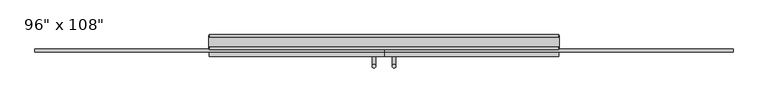
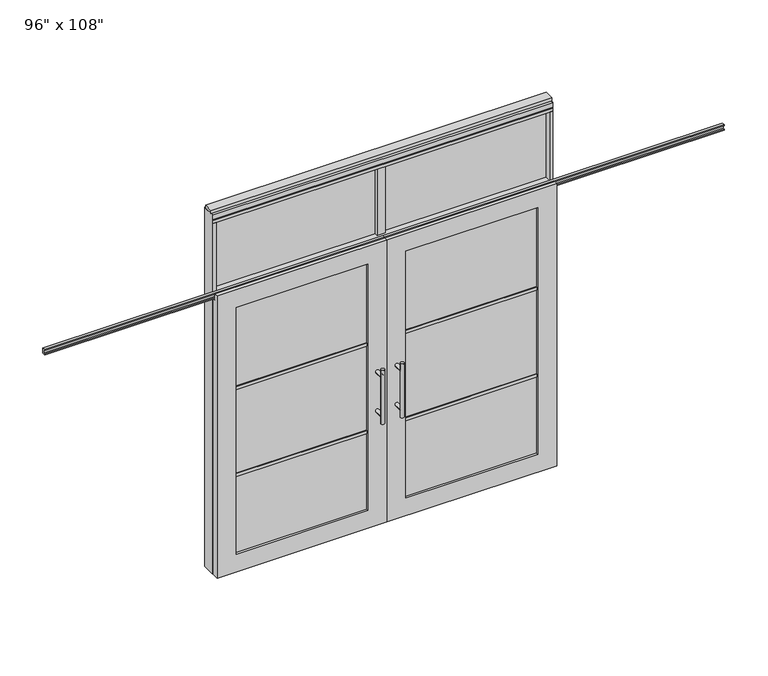
"""IFC4 building model written with IfcOpenShell, lengths in millimetres: furniture geometry."""

from ifc_helpers import new_model, si_unit, frame, origin, origin_with_axes, place, context, project, spatial, polyline, circle_curve, ellipse_curve, outline, extrude, faceted_brep, source, transform, mapped, element, save
from ifc_brep_helpers import plane_surface, cylinder_surface, advanced_brep


def furniture_7fe5dfdd(model_context):
    return source(origin(), model_context, "Body", "SolidModel", [
        advanced_brep(
        [(-117.3135229, 5.8962784, 1219.2), (-142.7135229, 5.8962784, 1219.2), (-117.3135229, 5.8962784, 812.8), (-142.7135229, 5.8962784, 812.8), (-117.3135229, 5.8962784, 1164.336), (-117.3135229, 5.8962784, 867.664), (-142.7135229, 5.8962784, 867.664), (-142.7135229, 5.8962784, 1164.336), (-117.3135229, -61.6677216, 1164.336), (-142.7135229, -61.6677216, 1164.336), (-117.3135229, -61.6677216, 867.664), (-142.7135229, -61.6677216, 867.664)],
        [
            (0, 1, circle_curve(frame((-130.0135229, 5.8962784, 1219.2), z_axis=(0.0, 0.0, 1.0), x_axis=(-1.0, 0.0, 0.0)), 12.7)),
            (1, 0, circle_curve(frame((-130.0135229, 5.8962784, 1219.2), z_axis=(0.0, 0.0, 1.0), x_axis=(-1.0, 0.0, 0.0)), 12.7)),
            (2, 3, circle_curve(frame((-130.0135229, 5.8962784, 812.8), z_axis=(0.0, 0.0, -1.0), x_axis=(-1.0, 0.0, 0.0)), 12.7)),
            (3, 2, circle_curve(frame((-130.0135229, 5.8962784, 812.8), z_axis=(0.0, 0.0, -1.0), x_axis=(-1.0, 0.0, 0.0)), 12.7)),
            (0, 4),
            (4, 5),
            (5, 2),
            (3, 6),
            (6, 7),
            (7, 1),
            (7, 4, ellipse_curve(frame((-130.0135229, 5.8962784, 1164.336), z_axis=(0.0, 0.707106781186565, 0.70710678118653), x_axis=(0.0, -0.70710678118653, 0.707106781186565)), 17.9605122, 12.7)),
            (5, 6, ellipse_curve(frame((-130.0135229, 5.8962784, 867.664), z_axis=(0.0, 0.70710678118653, -0.7071067811865649), x_axis=(0.0, 0.7071067811865648, 0.7071067811865301)), 17.9605122, 12.7)),
            (4, 7, ellipse_curve(frame((-130.0135229, 5.8962784, 1164.336), z_axis=(0.0, 0.70710678118653, -0.7071067811865649), x_axis=(0.0, 0.7071067811865648, 0.7071067811865301)), 17.9605122, 12.7)),
            (6, 5, ellipse_curve(frame((-130.0135229, 5.8962784, 867.664), z_axis=(0.0, 0.707106781186565, 0.70710678118653), x_axis=(0.0, -0.70710678118653, 0.707106781186565)), 17.9605122, 12.7)),
            (8, 9, circle_curve(frame((-130.0135229, -61.6677216, 1164.336), z_axis=(0.0, -1.0, 0.0), x_axis=(-1.0, 0.0, 0.0)), 12.7)),
            (9, 8, circle_curve(frame((-130.0135229, -61.6677216, 1164.336), z_axis=(0.0, -1.0, 0.0), x_axis=(-1.0, 0.0, 0.0)), 12.7)),
            (9, 7),
            (4, 8),
            (10, 11, circle_curve(frame((-130.0135229, -61.6677216, 867.664), z_axis=(0.0, -1.0, 0.0), x_axis=(-1.0, 0.0, 0.0)), 12.7)),
            (11, 10, circle_curve(frame((-130.0135229, -61.6677216, 867.664), z_axis=(0.0, -1.0, 0.0), x_axis=(-1.0, 0.0, 0.0)), 12.7)),
            (11, 6),
            (5, 10),
        ],
        [
            plane_surface(frame((-142.7135229, 5.8962784, 1219.2), z_axis=(0.0, 0.0, 1.0), x_axis=(0.0, -1.0, 0.0))),
            plane_surface(frame((-142.7135229, 5.8962784, 812.8), z_axis=(0.0, 0.0, -1.0), x_axis=(0.0, 1.0, 0.0))),
            cylinder_surface(frame((-130.0135229, 5.8962784, 812.8), z_axis=(0.0, 0.0, 1.0), x_axis=(-1.0, 0.0, 0.0)), 12.7),
            plane_surface(frame((-142.7135229, -61.6677216, 1164.336), z_axis=(0.0, -1.0, 0.0), x_axis=(0.0, 0.0, -1.0))),
            cylinder_surface(frame((-130.0135229, -61.6677216, 1164.336), z_axis=(0.0, 1.0, 0.0), x_axis=(-1.0, 0.0, 0.0)), 12.7),
            plane_surface(frame((-142.7135229, -61.6677216, 867.664), z_axis=(0.0, -1.0, 0.0), x_axis=(0.0, 0.0, -1.0))),
            cylinder_surface(frame((-130.0135229, -61.6677216, 867.664), z_axis=(0.0, 1.0, 0.0), x_axis=(-1.0, 0.0, 0.0)), 12.7),
        ],
        [
            (0, [[1, 2]]),
            (1, [[3, 4]]),
            (2, [[-1, 5, 6, 7, -4, 8, 9, 10]]),
            (2, [[-2, -10, 11, -5]]),
            (2, [[-3, -7, 12, -8]]),
            (2, [[13, -9, 14, -6]]),
            (3, [[15, 16]]),
            (4, [[-16, 17, -13, 18]]),
            (4, [[-15, -18, -11, -17]]),
            (5, [[19, 20]]),
            (6, [[-20, 21, -12, 22]]),
            (6, [[-19, -22, -14, -21]]),
        ],
    ),
        advanced_brep(
        [(-117.3135229, -173.6817216, 1219.2), (-142.7135229, -173.6817216, 1219.2), (-117.3135229, -173.6817216, 812.8), (-142.7135229, -173.6817216, 812.8), (-142.7135229, -173.6817216, 1164.336), (-142.7135229, -173.6817216, 867.664), (-117.3135229, -173.6817216, 867.664), (-117.3135229, -173.6817216, 1164.336), (-117.3135229, -106.1177216, 1164.336), (-142.7135229, -106.1177216, 1164.336), (-117.3135229, -106.1177216, 867.664), (-142.7135229, -106.1177216, 867.664)],
        [
            (0, 1, circle_curve(frame((-130.0135229, -173.6817216, 1219.2), z_axis=(0.0, 0.0, 1.0), x_axis=(-1.0, 0.0, 0.0)), 12.7)),
            (1, 0, circle_curve(frame((-130.0135229, -173.6817216, 1219.2), z_axis=(0.0, 0.0, 1.0), x_axis=(-1.0, 0.0, 0.0)), 12.7)),
            (2, 3, circle_curve(frame((-130.0135229, -173.6817216, 812.8), z_axis=(0.0, 0.0, -1.0), x_axis=(-1.0, 0.0, 0.0)), 12.7)),
            (3, 2, circle_curve(frame((-130.0135229, -173.6817216, 812.8), z_axis=(0.0, 0.0, -1.0), x_axis=(-1.0, 0.0, 0.0)), 12.7)),
            (1, 4),
            (4, 5),
            (5, 3),
            (2, 6),
            (6, 7),
            (7, 0),
            (6, 5, ellipse_curve(frame((-130.0135229, -173.6817216, 867.664), z_axis=(0.0, -0.707106781186565, 0.70710678118653), x_axis=(0.0, 0.70710678118653, 0.707106781186565)), 17.9605122, 12.7)),
            (4, 7, ellipse_curve(frame((-130.0135229, -173.6817216, 1164.336), z_axis=(0.0, -0.70710678118653, -0.7071067811865649), x_axis=(0.0, -0.7071067811865648, 0.7071067811865301)), 17.9605122, 12.7)),
            (7, 4, ellipse_curve(frame((-130.0135229, -173.6817216, 1164.336), z_axis=(0.0, -0.707106781186565, 0.70710678118653), x_axis=(0.0, 0.70710678118653, 0.707106781186565)), 17.9605122, 12.7)),
            (5, 6, ellipse_curve(frame((-130.0135229, -173.6817216, 867.664), z_axis=(0.0, -0.70710678118653, -0.7071067811865649), x_axis=(0.0, -0.7071067811865648, 0.7071067811865301)), 17.9605122, 12.7)),
            (8, 9, circle_curve(frame((-130.0135229, -106.1177216, 1164.336), z_axis=(0.0, 1.0, 0.0), x_axis=(-1.0, 0.0, 0.0)), 12.7)),
            (9, 8, circle_curve(frame((-130.0135229, -106.1177216, 1164.336), z_axis=(0.0, 1.0, 0.0), x_axis=(-1.0, 0.0, 0.0)), 12.7)),
            (8, 7),
            (4, 9),
            (10, 11, circle_curve(frame((-130.0135229, -106.1177216, 867.664), z_axis=(0.0, 1.0, 0.0), x_axis=(-1.0, 0.0, 0.0)), 12.7)),
            (11, 10, circle_curve(frame((-130.0135229, -106.1177216, 867.664), z_axis=(0.0, 1.0, 0.0), x_axis=(-1.0, 0.0, 0.0)), 12.7)),
            (10, 6),
            (5, 11),
        ],
        [
            plane_surface(frame((-142.7135229, -173.6817216, 1219.2), z_axis=(0.0, 0.0, 1.0), x_axis=(0.0, 1.0, 0.0))),
            plane_surface(frame((-142.7135229, -173.6817216, 812.8), z_axis=(0.0, 0.0, -1.0), x_axis=(0.0, -1.0, 0.0))),
            cylinder_surface(frame((-130.0135229, -173.6817216, 812.8), z_axis=(0.0, 0.0, 1.0), x_axis=(-1.0, 0.0, 0.0)), 12.7),
            plane_surface(frame((-142.7135229, -106.1177216, 1164.336), z_axis=(0.0, 1.0, 0.0), x_axis=(0.0, 0.0, -1.0))),
            cylinder_surface(frame((-130.0135229, -106.1177216, 1164.336), z_axis=(0.0, -1.0, 0.0), x_axis=(-1.0, 0.0, 0.0)), 12.7),
            plane_surface(frame((-142.7135229, -106.1177216, 867.664), z_axis=(0.0, 1.0, 0.0), x_axis=(0.0, 0.0, -1.0))),
            cylinder_surface(frame((-130.0135229, -106.1177216, 867.664), z_axis=(0.0, -1.0, 0.0), x_axis=(-1.0, 0.0, 0.0)), 12.7),
        ],
        [
            (0, [[1, 2]]),
            (1, [[3, 4]]),
            (2, [[5, 6, 7, -3, 8, 9, 10, -2]]),
            (2, [[-9, 11, -6, 12]]),
            (2, [[-10, 13, -5, -1]]),
            (2, [[-7, 14, -8, -4]]),
            (3, [[15, 16]]),
            (4, [[17, -12, 18, -15]]),
            (4, [[-18, -13, -17, -16]]),
            (5, [[19, 20]]),
            (6, [[21, -14, 22, -19]]),
            (6, [[-22, -11, -21, -20]]),
        ],
    ),
        extrude(outline(polyline([(-196.0535229, -95.0052216), (-1139.2825229, -95.0052216), (-1139.2825229, -72.7802216), (-196.0535229, -72.7802216), (-196.0535229, -95.0052216)])), frame((0.0, 0.0, 1371.6), z_axis=(0.0, 0.0, 1.0), x_axis=(1.0, 0.0, 0.0)), (0.0, 0.0, 1.0), 22.225),
        extrude(outline(polyline([(-196.0535229, -95.0052216), (-1139.2825229, -95.0052216), (-1139.2825229, -72.7802216), (-196.0535229, -72.7802216), (-196.0535229, -95.0052216)])), frame((0.0, 0.0, 711.2), z_axis=(0.0, 0.0, 1.0), x_axis=(1.0, 0.0, 0.0)), (0.0, 0.0, 1.0), 22.225),
        extrude(outline(polyline([(-1139.2825229, -88.9727216), (-1139.2825229, -78.8127216), (-196.0535229, -78.8127216), (-196.0535229, -88.9727216), (-1139.2825229, -88.9727216)])), frame((0.0, 0.0, 132.969), z_axis=(0.0, 0.0, 1.0), x_axis=(1.0, 0.0, 0.0)), (0.0, 0.0, 1.0), 1867.662),
        extrude(outline(polyline([(-75.3837216, 2097.278), (-75.3837216, 2102.612), (-62.6837216, 2102.612), (-62.6837216, 2131.568), (-75.3837216, 2131.568), (-75.3837216, 2136.902), (-53.6667216, 2136.902), (-53.6667216, 2097.278), (-75.3837216, 2097.278)])), frame((-2490.5625229, 0.0, 0.0), z_axis=(1.0, 0.0, 0.0), x_axis=(0.0, 1.0, 0.0)), (0.0, 0.0, 1.0), 2430.526),
        faceted_brep([(-60.0365229, -106.1177216, 0.0), (-60.0365229, -106.1177216, 2133.6), (-1275.2995229, -106.1177216, 2133.6), (-1275.2995229, -106.1177216, 0.0), (-1139.2825229, -106.1177216, 2000.631), (-196.0535229, -106.1177216, 2000.631), (-196.0535229, -106.1177216, 132.969), (-1139.2825229, -106.1177216, 132.969), (-60.0365229, -78.6857216, 2133.6), (-60.0365229, -78.6857216, 2089.023), (-1275.2995229, -78.6857216, 2089.023), (-1275.2995229, -78.6857216, 2133.6), (-60.0365229, -61.6677216, 0.0), (-60.0365229, -61.6677216, 2089.023), (-1275.2995229, -61.6677216, 2089.023), (-1275.2995229, -61.6677216, 0.0), (-1139.2825229, -61.6677216, 2000.631), (-1139.2825229, -61.6677216, 132.969), (-196.0535229, -61.6677216, 132.969), (-196.0535229, -61.6677216, 2000.631)], [[[0, 1, 2, 3], [4, 5, 6, 7]], [[8, 9, 10, 11]], [[0, 12, 13, 9, 8, 1]], [[2, 11, 10, 14, 15, 3]], [[1, 8, 11, 2]], [[14, 13, 12, 15], [16, 17, 18, 19]], [[14, 10, 9, 13]], [[3, 15, 12, 0]], [[7, 17, 16, 4]], [[6, 18, 17, 7]], [[5, 19, 18, 6]], [[4, 16, 19, 5]]]),
        extrude(outline(polyline([(-31.4615229, -33.0927216), (-88.6115229, -33.0927216), (-88.6115229, 24.0572784), (-31.4615229, 24.0572784), (-31.4615229, -33.0927216)])), frame((0.0, 0.0, 2133.6), z_axis=(0.0, 0.0, 1.0), x_axis=(1.0, 0.0, 0.0)), (0.0, 0.0, 1.0), 520.7),
        extrude(outline(polyline([(1133.0014771, -10.8677216), (-1253.0745229, -10.8677216), (-1253.0745229, 1.8322784), (1133.0014771, 1.8322784), (1133.0014771, -10.8677216)])), frame((0.0, 0.0, 2133.6), z_axis=(0.0, 0.0, 1.0), x_axis=(1.0, 0.0, 0.0)), (0.0, 0.0, 1.0), 520.7),
        advanced_brep(
        [(-2.7595229, 5.8962784, 1219.2), (22.6404771, 5.8962784, 1219.2), (-2.7595229, 5.8962784, 812.8), (22.6404771, 5.8962784, 812.8), (22.6404771, 5.8962784, 1164.336), (22.6404771, 5.8962784, 867.664), (-2.7595229, 5.8962784, 867.664), (-2.7595229, 5.8962784, 1164.336), (-2.7595229, -61.6677216, 1164.336), (22.6404771, -61.6677216, 1164.336), (-2.7595229, -61.6677216, 867.664), (22.6404771, -61.6677216, 867.664)],
        [
            (0, 1, circle_curve(frame((9.9404771, 5.8962784, 1219.2), z_axis=(0.0, 0.0, 1.0), x_axis=(1.0, 0.0, 0.0)), 12.7)),
            (1, 0, circle_curve(frame((9.9404771, 5.8962784, 1219.2), z_axis=(0.0, 0.0, 1.0), x_axis=(1.0, 0.0, 0.0)), 12.7)),
            (2, 3, circle_curve(frame((9.9404771, 5.8962784, 812.8), z_axis=(0.0, 0.0, -1.0), x_axis=(1.0, 0.0, 0.0)), 12.7)),
            (3, 2, circle_curve(frame((9.9404771, 5.8962784, 812.8), z_axis=(0.0, 0.0, -1.0), x_axis=(1.0, 0.0, 0.0)), 12.7)),
            (1, 4),
            (4, 5),
            (5, 3),
            (2, 6),
            (6, 7),
            (7, 0),
            (6, 5, ellipse_curve(frame((9.9404771, 5.8962784, 867.664), z_axis=(0.0, 0.707106781186565, 0.70710678118653), x_axis=(0.0, -0.70710678118653, 0.707106781186565)), 17.9605122, 12.7)),
            (4, 7, ellipse_curve(frame((9.9404771, 5.8962784, 1164.336), z_axis=(0.0, 0.70710678118653, -0.7071067811865649), x_axis=(0.0, 0.7071067811865648, 0.7071067811865301)), 17.9605122, 12.7)),
            (7, 4, ellipse_curve(frame((9.9404771, 5.8962784, 1164.336), z_axis=(0.0, 0.707106781186565, 0.70710678118653), x_axis=(0.0, -0.70710678118653, 0.707106781186565)), 17.9605122, 12.7)),
            (5, 6, ellipse_curve(frame((9.9404771, 5.8962784, 867.664), z_axis=(0.0, 0.70710678118653, -0.7071067811865649), x_axis=(0.0, 0.7071067811865648, 0.7071067811865301)), 17.9605122, 12.7)),
            (8, 9, circle_curve(frame((9.9404771, -61.6677216, 1164.336), z_axis=(0.0, -1.0, 0.0), x_axis=(1.0, 0.0, 0.0)), 12.7)),
            (9, 8, circle_curve(frame((9.9404771, -61.6677216, 1164.336), z_axis=(0.0, -1.0, 0.0), x_axis=(1.0, 0.0, 0.0)), 12.7)),
            (8, 7),
            (4, 9),
            (10, 11, circle_curve(frame((9.9404771, -61.6677216, 867.664), z_axis=(0.0, -1.0, 0.0), x_axis=(1.0, 0.0, 0.0)), 12.7)),
            (11, 10, circle_curve(frame((9.9404771, -61.6677216, 867.664), z_axis=(0.0, -1.0, 0.0), x_axis=(1.0, 0.0, 0.0)), 12.7)),
            (10, 6),
            (5, 11),
        ],
        [
            plane_surface(frame((22.6404771, 5.8962784, 1219.2), z_axis=(0.0, 0.0, 1.0), x_axis=(0.0, -1.0, 0.0))),
            plane_surface(frame((22.6404771, 5.8962784, 812.8), z_axis=(0.0, 0.0, -1.0), x_axis=(0.0, 1.0, 0.0))),
            cylinder_surface(frame((9.9404771, 5.8962784, 812.8), z_axis=(0.0, 0.0, 1.0), x_axis=(1.0, 0.0, 0.0)), 12.7),
            plane_surface(frame((22.6404771, -61.6677216, 1164.336), z_axis=(0.0, -1.0, 0.0), x_axis=(0.0, 0.0, -1.0))),
            cylinder_surface(frame((9.9404771, -61.6677216, 1164.336), z_axis=(0.0, 1.0, 0.0), x_axis=(1.0, 0.0, 0.0)), 12.7),
            plane_surface(frame((22.6404771, -61.6677216, 867.664), z_axis=(0.0, -1.0, 0.0), x_axis=(0.0, 0.0, -1.0))),
            cylinder_surface(frame((9.9404771, -61.6677216, 867.664), z_axis=(0.0, 1.0, 0.0), x_axis=(1.0, 0.0, 0.0)), 12.7),
        ],
        [
            (0, [[1, 2]]),
            (1, [[3, 4]]),
            (2, [[5, 6, 7, -3, 8, 9, 10, -2]]),
            (2, [[-9, 11, -6, 12]]),
            (2, [[-10, 13, -5, -1]]),
            (2, [[-7, 14, -8, -4]]),
            (3, [[15, 16]]),
            (4, [[17, -12, 18, -15]]),
            (4, [[-18, -13, -17, -16]]),
            (5, [[19, 20]]),
            (6, [[21, -14, 22, -19]]),
            (6, [[-22, -11, -21, -20]]),
        ],
    ),
        advanced_brep(
        [(-2.7595229, -173.6817216, 1219.2), (22.6404771, -173.6817216, 1219.2), (-2.7595229, -173.6817216, 812.8), (22.6404771, -173.6817216, 812.8), (-2.7595229, -173.6817216, 1164.336), (-2.7595229, -173.6817216, 867.664), (22.6404771, -173.6817216, 867.664), (22.6404771, -173.6817216, 1164.336), (-2.7595229, -106.1177216, 1164.336), (22.6404771, -106.1177216, 1164.336), (-2.7595229, -106.1177216, 867.664), (22.6404771, -106.1177216, 867.664)],
        [
            (0, 1, circle_curve(frame((9.9404771, -173.6817216, 1219.2), z_axis=(0.0, 0.0, 1.0), x_axis=(1.0, 0.0, 0.0)), 12.7)),
            (1, 0, circle_curve(frame((9.9404771, -173.6817216, 1219.2), z_axis=(0.0, 0.0, 1.0), x_axis=(1.0, 0.0, 0.0)), 12.7)),
            (2, 3, circle_curve(frame((9.9404771, -173.6817216, 812.8), z_axis=(0.0, 0.0, -1.0), x_axis=(1.0, 0.0, 0.0)), 12.7)),
            (3, 2, circle_curve(frame((9.9404771, -173.6817216, 812.8), z_axis=(0.0, 0.0, -1.0), x_axis=(1.0, 0.0, 0.0)), 12.7)),
            (0, 4),
            (4, 5),
            (5, 2),
            (3, 6),
            (6, 7),
            (7, 1),
            (7, 4, ellipse_curve(frame((9.9404771, -173.6817216, 1164.336), z_axis=(0.0, -0.707106781186565, 0.70710678118653), x_axis=(0.0, 0.70710678118653, 0.707106781186565)), 17.9605122, 12.7)),
            (5, 6, ellipse_curve(frame((9.9404771, -173.6817216, 867.664), z_axis=(0.0, -0.70710678118653, -0.7071067811865649), x_axis=(0.0, -0.7071067811865648, 0.7071067811865301)), 17.9605122, 12.7)),
            (4, 7, ellipse_curve(frame((9.9404771, -173.6817216, 1164.336), z_axis=(0.0, -0.70710678118653, -0.7071067811865649), x_axis=(0.0, -0.7071067811865648, 0.7071067811865301)), 17.9605122, 12.7)),
            (6, 5, ellipse_curve(frame((9.9404771, -173.6817216, 867.664), z_axis=(0.0, -0.707106781186565, 0.70710678118653), x_axis=(0.0, 0.70710678118653, 0.707106781186565)), 17.9605122, 12.7)),
            (8, 9, circle_curve(frame((9.9404771, -106.1177216, 1164.336), z_axis=(0.0, 1.0, 0.0), x_axis=(1.0, 0.0, 0.0)), 12.7)),
            (9, 8, circle_curve(frame((9.9404771, -106.1177216, 1164.336), z_axis=(0.0, 1.0, 0.0), x_axis=(1.0, 0.0, 0.0)), 12.7)),
            (9, 7),
            (4, 8),
            (10, 11, circle_curve(frame((9.9404771, -106.1177216, 867.664), z_axis=(0.0, 1.0, 0.0), x_axis=(1.0, 0.0, 0.0)), 12.7)),
            (11, 10, circle_curve(frame((9.9404771, -106.1177216, 867.664), z_axis=(0.0, 1.0, 0.0), x_axis=(1.0, 0.0, 0.0)), 12.7)),
            (11, 6),
            (5, 10),
        ],
        [
            plane_surface(frame((22.6404771, -173.6817216, 1219.2), z_axis=(0.0, 0.0, 1.0), x_axis=(0.0, 1.0, 0.0))),
            plane_surface(frame((22.6404771, -173.6817216, 812.8), z_axis=(0.0, 0.0, -1.0), x_axis=(0.0, -1.0, 0.0))),
            cylinder_surface(frame((9.9404771, -173.6817216, 812.8), z_axis=(0.0, 0.0, 1.0), x_axis=(1.0, 0.0, 0.0)), 12.7),
            plane_surface(frame((22.6404771, -106.1177216, 1164.336), z_axis=(0.0, 1.0, 0.0), x_axis=(0.0, 0.0, -1.0))),
            cylinder_surface(frame((9.9404771, -106.1177216, 1164.336), z_axis=(0.0, -1.0, 0.0), x_axis=(1.0, 0.0, 0.0)), 12.7),
            plane_surface(frame((22.6404771, -106.1177216, 867.664), z_axis=(0.0, 1.0, 0.0), x_axis=(0.0, 0.0, -1.0))),
            cylinder_surface(frame((9.9404771, -106.1177216, 867.664), z_axis=(0.0, -1.0, 0.0), x_axis=(1.0, 0.0, 0.0)), 12.7),
        ],
        [
            (0, [[1, 2]]),
            (1, [[3, 4]]),
            (2, [[-1, 5, 6, 7, -4, 8, 9, 10]]),
            (2, [[-2, -10, 11, -5]]),
            (2, [[-3, -7, 12, -8]]),
            (2, [[13, -9, 14, -6]]),
            (3, [[15, 16]]),
            (4, [[-16, 17, -13, 18]]),
            (4, [[-15, -18, -11, -17]]),
            (5, [[19, 20]]),
            (6, [[-20, 21, -12, 22]]),
            (6, [[-19, -22, -14, -21]]),
        ],
    ),
        extrude(outline(polyline([(75.9804771, -95.0052216), (75.9804771, -72.7802216), (1019.2094771, -72.7802216), (1019.2094771, -95.0052216), (75.9804771, -95.0052216)])), frame((0.0, 0.0, 1371.6), z_axis=(0.0, 0.0, 1.0), x_axis=(1.0, 0.0, 0.0)), (0.0, 0.0, 1.0), 22.225),
        extrude(outline(polyline([(75.9804771, -95.0052216), (75.9804771, -72.7802216), (1019.2094771, -72.7802216), (1019.2094771, -95.0052216), (75.9804771, -95.0052216)])), frame((0.0, 0.0, 711.2), z_axis=(0.0, 0.0, 1.0), x_axis=(1.0, 0.0, 0.0)), (0.0, 0.0, 1.0), 22.225),
        extrude(outline(polyline([(1019.2094771, -88.9727216), (75.9804771, -88.9727216), (75.9804771, -78.8127216), (1019.2094771, -78.8127216), (1019.2094771, -88.9727216)])), frame((0.0, 0.0, 132.969), z_axis=(0.0, 0.0, 1.0), x_axis=(1.0, 0.0, 0.0)), (0.0, 0.0, 1.0), 1867.662),
        extrude(outline(polyline([(-75.3837216, 2097.278), (-75.3837216, 2102.612), (-62.6837216, 2102.612), (-62.6837216, 2131.568), (-75.3837216, 2131.568), (-75.3837216, 2136.902), (-53.6667216, 2136.902), (-53.6667216, 2097.278), (-75.3837216, 2097.278)])), frame((-60.0365229, 0.0, 0.0), z_axis=(1.0, 0.0, 0.0), x_axis=(0.0, 1.0, 0.0)), (0.0, 0.0, 1.0), 2430.526),
        faceted_brep([(-60.0365229, -106.1177216, 0.0), (1155.2264771, -106.1177216, 0.0), (1155.2264771, -106.1177216, 2133.6), (-60.0365229, -106.1177216, 2133.6), (1019.2094771, -106.1177216, 2000.631), (1019.2094771, -106.1177216, 132.969), (75.9804771, -106.1177216, 132.969), (75.9804771, -106.1177216, 2000.631), (-60.0365229, -78.6857216, 2133.6), (1155.2264771, -78.6857216, 2133.6), (1155.2264771, -78.6857216, 2089.023), (-60.0365229, -78.6857216, 2089.023), (-60.0365229, -61.6677216, 2089.023), (-60.0365229, -61.6677216, 0.0), (1155.2264771, -61.6677216, 0.0), (1155.2264771, -61.6677216, 2089.023), (1019.2094771, -61.6677216, 2000.631), (75.9804771, -61.6677216, 2000.631), (75.9804771, -61.6677216, 132.969), (1019.2094771, -61.6677216, 132.969)], [[[0, 1, 2, 3], [4, 5, 6, 7]], [[8, 9, 10, 11]], [[0, 3, 8, 11, 12, 13]], [[2, 1, 14, 15, 10, 9]], [[3, 2, 9, 8]], [[15, 14, 13, 12], [16, 17, 18, 19]], [[15, 12, 11, 10]], [[1, 0, 13, 14]], [[5, 4, 16, 19]], [[6, 5, 19, 18]], [[7, 6, 18, 17]], [[4, 7, 17, 16]]]),
        extrude(outline(polyline([(-1253.0745229, -55.3177216), (-1275.2995229, -55.3177216), (-1275.2995229, 46.2822784), (-1253.0745229, 46.2822784), (-1253.0745229, -55.3177216)])), frame((0.0, 0.0, 2133.6), z_axis=(0.0, 0.0, 1.0), x_axis=(1.0, 0.0, 0.0)), (0.0, 0.0, 1.0), 520.7),
        extrude(outline(polyline([(1133.0014771, -55.3177216), (1133.0014771, 46.2822784), (1155.2264771, 46.2822784), (1155.2264771, -55.3177216), (1133.0014771, -55.3177216)])), frame((0.0, 0.0, 2133.6), z_axis=(0.0, 0.0, 1.0), x_axis=(1.0, 0.0, 0.0)), (0.0, 0.0, 1.0), 520.7),
        extrude(outline(polyline([(-1275.2995229, -55.3177216), (-1275.2995229, 46.2822784), (1155.2264771, 46.2822784), (1155.2264771, -55.3177216), (-1275.2995229, -55.3177216)])), frame((0.0, 0.0, 2070.1), z_axis=(0.0, 0.0, 1.0), x_axis=(1.0, 0.0, 0.0)), (0.0, 0.0, 1.0), 22.225),
        extrude(outline(polyline([(-55.3177216, 2097.278), (-55.3177216, 2133.6), (46.2822784, 2133.6), (46.2822784, 2097.278), (41.3292784, 2097.278), (41.3292784, 2092.325), (-50.3647216, 2092.325), (-50.3647216, 2097.278), (-55.3177216, 2097.278)])), frame((-1275.2995229, 0.0, 0.0), z_axis=(1.0, 0.0, 0.0), x_axis=(0.0, 1.0, 0.0)), (0.0, 0.0, 1.0), 2430.526),
        extrude(outline(polyline([(-1275.2995229, -55.3177216), (-1275.2995229, 46.2822784), (1155.2264771, 46.2822784), (1155.2264771, -55.3177216), (-1275.2995229, -55.3177216)])), frame((0.0, 0.0, 2654.3), z_axis=(0.0, 0.0, 1.0), x_axis=(1.0, 0.0, 0.0)), (0.0, 0.0, 1.0), 22.225),
        extrude(outline(polyline([(1159.1634771, -50.3647216), (1155.2264771, -50.3647216), (1155.2264771, 41.3292784), (1159.1634771, 41.3292784), (1159.1634771, -50.3647216)])), origin_with_axes(), (0.0, 0.0, 1.0), 2717.8),
        extrude(outline(polyline([(-1279.2365229, -50.3647216), (-1279.2365229, 41.3292784), (-1275.2995229, 41.3292784), (-1275.2995229, -50.3647216), (-1279.2365229, -50.3647216)])), origin_with_axes(), (0.0, 0.0, 1.0), 2717.8),
        extrude(outline(polyline([(1133.0014771, -55.3177216), (1133.0014771, 46.2822784), (1155.2264771, 46.2822784), (1155.2264771, -55.3177216), (1133.0014771, -55.3177216)])), origin_with_axes(), (0.0, 0.0, 1.0), 2070.1),
        extrude(outline(polyline([(-1253.0745229, -55.3177216), (-1275.2995229, -55.3177216), (-1275.2995229, 46.2822784), (-1253.0745229, 46.2822784), (-1253.0745229, -55.3177216)])), origin_with_axes(), (0.0, 0.0, 1.0), 2070.1),
        extrude(outline(polyline([(-55.3177216, 2681.478), (-55.3177216, 2717.8), (46.2822784, 2717.8), (46.2822784, 2681.478), (41.3292784, 2681.478), (41.3292784, 2676.525), (-50.3647216, 2676.525), (-50.3647216, 2681.478), (-55.3177216, 2681.478)])), frame((-1275.2995229, 0.0, 0.0), z_axis=(1.0, 0.0, 0.0), x_axis=(0.0, 1.0, 0.0)), (0.0, 0.0, 1.0), 2430.526),
        extrude(outline(polyline([(-1279.2365229, -37.0297216), (-1279.2365229, 27.9942784), (1159.1634771, 27.9942784), (1159.1634771, -37.0297216), (-1279.2365229, -37.0297216)])), frame((0.0, 0.0, 2717.8), z_axis=(0.0, 0.0, 1.0), x_axis=(1.0, 0.0, 0.0)), (0.0, 0.0, 1.0), 25.4),
    ])


if __name__ == "__main__":
    model = new_model("IFC4")
    model_context = context("Model", 3, world=origin())
    ifc_project = project(units=[si_unit("LENGTHUNIT", "METRE", prefix="MILLI")], contexts=[model_context])
    site = spatial("IfcSite", under=ifc_project)
    building = spatial("IfcBuilding", under=site)
    placement = place(None, origin())
    furniture_shape = furniture_7fe5dfdd(model_context)
    element("IfcFurniture", 1, ObjectType="96\" x 108\"", at=placement, inside=building, context=model_context, shape_type="MappedRepresentation", body=[
        mapped(furniture_shape, transform((0.0, 0.0, 0.0), x_axis=(1.0, 0.0, 0.0), y_axis=(0.0, 1.0, 0.0), z_axis=(0.0, 0.0, 1.0))),
    ])
    save(model, "model.ifc")
